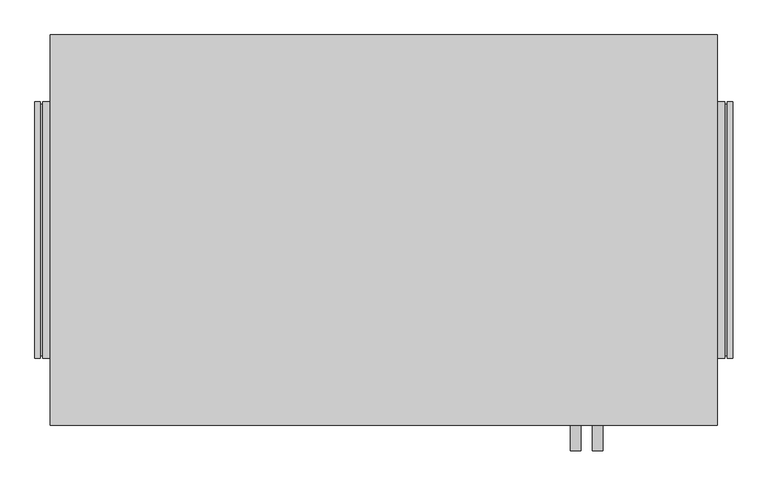
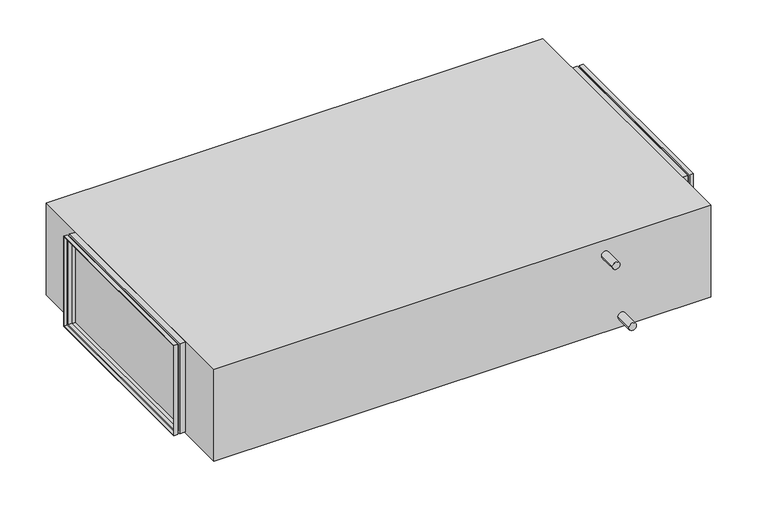
"""IFC4 building model written with IfcOpenShell, lengths in millimetres: proxy geometry."""

from ifc_helpers import new_model, si_unit, point, frame, frame_2d, origin, origin_with_axes, place, context, project, spatial, polyline, circle_curve, trimmed, segment, composite_curve, outline, extrude, faceted_brep, source, transform, mapped, element, save


def mechanical_equipment_1b2afe7f(model_context):
    return source(origin(), model_context, "Body", "SolidModel", [
        extrude(outline(composite_curve([segment(trimmed(circle_curve(frame_2d((30.0, 417.0)), 10.0), [point((30.0, 407.0))], [point((30.0, 427.0))], False, "CARTESIAN"), True, "CONTINUOUS"), segment(trimmed(circle_curve(frame_2d((30.0, 417.0)), 10.0), [point((30.0, 427.0))], [point((30.0, 407.0))], False, "CARTESIAN"), True, "CONTINUOUS")], self_intersect=False)), frame((0.0, -430.0, 0.0), z_axis=(0.0, 1.0, 0.0), x_axis=(0.0, 0.0, 1.0)), (0.0, 0.0, 1.0), 50.0),
        extrude(outline(composite_curve([segment(trimmed(circle_curve(frame_2d((214.0, 374.0)), 10.0), [point((214.0, 364.0))], [point((214.0, 384.0))], False, "CARTESIAN"), True, "CONTINUOUS"), segment(trimmed(circle_curve(frame_2d((214.0, 374.0)), 10.0), [point((214.0, 384.0))], [point((214.0, 364.0))], False, "CARTESIAN"), True, "CONTINUOUS")], self_intersect=False)), frame((0.0, -430.0, 0.0), z_axis=(0.0, 1.0, 0.0), x_axis=(0.0, 0.0, 1.0)), (0.0, 0.0, 1.0), 50.0),
        faceted_brep([(-680.0, 250.0, 252.5), (-670.0, 250.0, 252.5), (-670.0, 250.0, 2.5), (-680.0, 250.0, 2.5), (-670.0, 245.0, 247.5), (-665.0, 245.0, 247.5), (-665.0, 245.0, 7.5), (-670.0, 245.0, 7.5), (-665.0, 250.0, 252.5), (-650.0, 250.0, 252.5), (-650.0, 250.0, 2.5), (-665.0, 250.0, 2.5), (-650.0, 248.0, 250.5), (-663.0, 248.0, 250.5), (-663.0, 248.0, 4.5), (-650.0, 248.0, 4.5), (-663.0, 243.0, 245.5), (-672.0, 243.0, 245.5), (-672.0, 243.0, 9.5), (-663.0, 243.0, 9.5), (-672.0, 248.0, 250.5), (-680.0, 248.0, 250.5), (-680.0, 248.0, 4.5), (-672.0, 248.0, 4.5), (-670.0, -250.0, 2.5), (-680.0, -250.0, 2.5), (-665.0, -245.0, 7.5), (-670.0, -245.0, 7.5), (-650.0, -250.0, 2.5), (-665.0, -250.0, 2.5), (-663.0, -248.0, 4.5), (-650.0, -248.0, 4.5), (-672.0, -243.0, 9.5), (-663.0, -243.0, 9.5), (-680.0, -248.0, 4.5), (-672.0, -248.0, 4.5), (-670.0, -250.0, 252.5), (-680.0, -250.0, 252.5), (-665.0, -245.0, 247.5), (-670.0, -245.0, 247.5), (-650.0, -250.0, 252.5), (-665.0, -250.0, 252.5), (-663.0, -248.0, 250.5), (-650.0, -248.0, 250.5), (-672.0, -243.0, 245.5), (-663.0, -243.0, 245.5), (-680.0, -248.0, 250.5), (-672.0, -248.0, 250.5)], [[[0, 1, 2, 3]], [[4, 5, 6, 7]], [[8, 9, 10, 11]], [[12, 13, 14, 15]], [[16, 17, 18, 19]], [[20, 21, 22, 23]], [[3, 2, 24, 25]], [[7, 6, 26, 27]], [[11, 10, 28, 29]], [[15, 14, 30, 31]], [[19, 18, 32, 33]], [[23, 22, 34, 35]], [[25, 24, 36, 37]], [[27, 26, 38, 39]], [[29, 28, 40, 41]], [[31, 30, 42, 43]], [[33, 32, 44, 45]], [[35, 34, 46, 47]], [[37, 36, 1, 0]], [[1, 36, 24, 2], [7, 27, 39, 4]], [[39, 38, 5, 4]], [[11, 29, 41, 8], [5, 38, 26, 6]], [[41, 40, 9, 8]], [[9, 40, 28, 10], [15, 31, 43, 12]], [[43, 42, 13, 12]], [[13, 42, 30, 14], [19, 33, 45, 16]], [[45, 44, 17, 16]], [[23, 35, 47, 20], [17, 44, 32, 18]], [[47, 46, 21, 20]], [[3, 25, 37, 0], [21, 46, 34, 22]]]),
        faceted_brep([(670.0, 250.0, 252.5), (680.0, 250.0, 252.5), (680.0, 250.0, 2.5), (670.0, 250.0, 2.5), (665.0, 245.0, 247.5), (670.0, 245.0, 247.5), (670.0, 245.0, 7.5), (665.0, 245.0, 7.5), (650.0, 250.0, 252.5), (665.0, 250.0, 252.5), (665.0, 250.0, 2.5), (650.0, 250.0, 2.5), (663.0, 248.0, 250.5), (650.0, 248.0, 250.5), (650.0, 248.0, 4.5), (663.0, 248.0, 4.5), (672.0, 243.0, 245.5), (663.0, 243.0, 245.5), (663.0, 243.0, 9.5), (672.0, 243.0, 9.5), (680.0, 248.0, 250.5), (672.0, 248.0, 250.5), (672.0, 248.0, 4.5), (680.0, 248.0, 4.5), (680.0, -250.0, 2.5), (670.0, -250.0, 2.5), (670.0, -245.0, 7.5), (665.0, -245.0, 7.5), (665.0, -250.0, 2.5), (650.0, -250.0, 2.5), (650.0, -248.0, 4.5), (663.0, -248.0, 4.5), (663.0, -243.0, 9.5), (672.0, -243.0, 9.5), (672.0, -248.0, 4.5), (680.0, -248.0, 4.5), (680.0, -250.0, 252.5), (670.0, -250.0, 252.5), (670.0, -245.0, 247.5), (665.0, -245.0, 247.5), (665.0, -250.0, 252.5), (650.0, -250.0, 252.5), (650.0, -248.0, 250.5), (663.0, -248.0, 250.5), (663.0, -243.0, 245.5), (672.0, -243.0, 245.5), (672.0, -248.0, 250.5), (680.0, -248.0, 250.5)], [[[0, 1, 2, 3]], [[4, 5, 6, 7]], [[8, 9, 10, 11]], [[12, 13, 14, 15]], [[16, 17, 18, 19]], [[20, 21, 22, 23]], [[3, 2, 24, 25]], [[7, 6, 26, 27]], [[11, 10, 28, 29]], [[15, 14, 30, 31]], [[19, 18, 32, 33]], [[23, 22, 34, 35]], [[25, 24, 36, 37]], [[27, 26, 38, 39]], [[29, 28, 40, 41]], [[31, 30, 42, 43]], [[33, 32, 44, 45]], [[35, 34, 46, 47]], [[37, 36, 1, 0]], [[3, 25, 37, 0], [5, 38, 26, 6]], [[39, 38, 5, 4]], [[9, 40, 28, 10], [7, 27, 39, 4]], [[41, 40, 9, 8]], [[11, 29, 41, 8], [13, 42, 30, 14]], [[43, 42, 13, 12]], [[15, 31, 43, 12], [17, 44, 32, 18]], [[45, 44, 17, 16]], [[21, 46, 34, 22], [19, 33, 45, 16]], [[47, 46, 21, 20]], [[1, 36, 24, 2], [23, 35, 47, 20]]]),
        extrude(outline(polyline([(-650.0, -380.0), (-650.0, 380.0), (650.0, 380.0), (650.0, -380.0), (-650.0, -380.0)])), origin_with_axes(), (0.0, 0.0, 1.0), 255.0),
    ])


if __name__ == "__main__":
    model = new_model("IFC4")
    model_context = context("Model", 3, world=origin())
    ifc_project = project(units=[si_unit("LENGTHUNIT", "METRE", prefix="MILLI")], contexts=[model_context])
    site = spatial("IfcSite", under=ifc_project)
    building = spatial("IfcBuilding", under=site)
    placement = place(None, origin())
    mechanical_equipment_shape = mechanical_equipment_1b2afe7f(model_context)
    element("IfcBuildingElementProxy", 1, Name="Mechanical Equipment", at=placement, inside=building, context=model_context, shape_type="MappedRepresentation", body=[
        mapped(mechanical_equipment_shape, transform((0.0, 0.0, 0.0), x_axis=(1.0, 0.0, 0.0), y_axis=(0.0, 1.0, 0.0), z_axis=(0.0, 0.0, 1.0))),
    ])
    save(model, "model.ifc")
